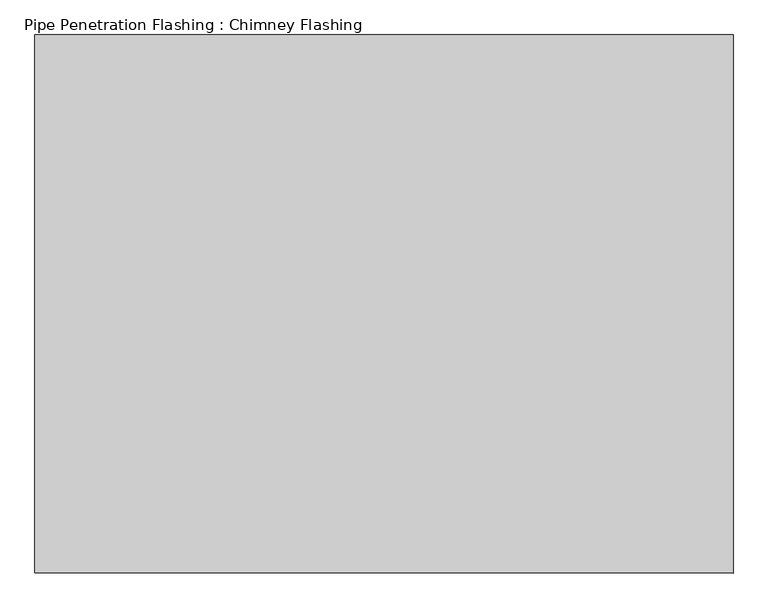
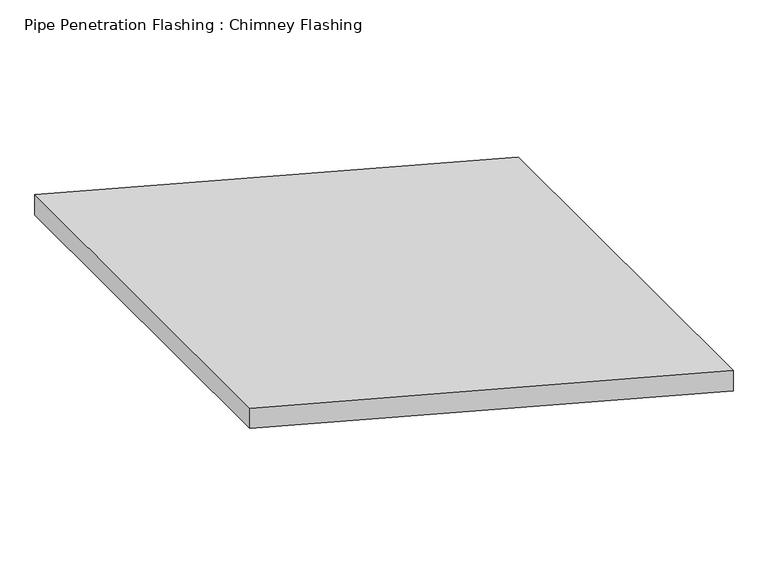
"""IFC4 building model written with IfcOpenShell, lengths in millimetres: proxy geometry, Pipe Penetration Flashing : Chimney Flashing."""

import ifcopenshell
import ifcopenshell.guid

model = None  # the IFC model being written
_history = None  # IfcOwnerHistory: only IFC2X3 demands one
_inside = {}  # id of a spatial element -> (the spatial element, [elements in it])
_under = {}  # id of a project, library or spatial element -> (it, [spatial elements below it])
_declared = {}  # id of a project -> (the project, [libraries it declares])
_typed = {}  # id of a type object -> (the type object, [elements of that type])
_made_of = {}  # id of a material, layer set ... -> (it, [elements and type objects made of it])


def new_model(schema):
    """Start an empty IFC model of exactly this schema.

    Asked for "IFC4X3", IfcOpenShell would pick the latest addendum, in which some entities
    have other attributes; the version numbers below select the first issue.
    IFC2X3 requires an IfcOwnerHistory on every rooted entity: one is made here for all.
    """
    global model, _history
    if schema == "IFC4X3":
        model = ifcopenshell.file(schema_version=(4, 3, 0, 0))
    else:
        model = ifcopenshell.file(schema=schema)
    _inside.clear()
    _under.clear()
    _declared.clear()
    _typed.clear()
    _made_of.clear()
    _history = None
    if model.schema == "IFC2X3":
        org = make("IfcOrganization", Name="unknown")
        user = make(
            "IfcPersonAndOrganization",
            ThePerson=make("IfcPerson", FamilyName="unknown"),
            TheOrganization=org,
        )
        app = make(
            "IfcApplication",
            ApplicationDeveloper=org,
            Version="unknown",
            ApplicationFullName="unknown",
            ApplicationIdentifier="unknown",
        )
        _history = make(
            "IfcOwnerHistory",
            OwningUser=user,
            OwningApplication=app,
            ChangeAction="ADDED",
            CreationDate=0,
        )
    return model


def make(cls, **values):
    """One entity of the class cls with the attributes given. An attribute that is None is left unset."""
    return model.create_entity(
        cls, **{name: value for name, value in values.items() if value is not None}
    )


def rooted(cls, **values):
    """An entity with a GlobalId (a new one), such as an element, a storey or a relation."""
    return make(cls, GlobalId=ifcopenshell.guid.new(), OwnerHistory=_history, **values)


def si_unit(unit_type, name, prefix=None):
    """IfcSIUnit, for example si_unit("LENGTHUNIT", "METRE", prefix="MILLI")."""
    return make("IfcSIUnit", UnitType=unit_type, Prefix=prefix, Name=name)


def assignment(units):
    """IfcUnitAssignment: the units of a project."""
    return None if units is None else make("IfcUnitAssignment", Units=units)


def point(xyz):
    """IfcCartesianPoint."""
    return None if xyz is None else make("IfcCartesianPoint", Coordinates=xyz)


def direction(xyz):
    """IfcDirection."""
    return None if xyz is None else make("IfcDirection", DirectionRatios=xyz)


def frame(location, z_axis=None, x_axis=None):
    """IfcAxis2Placement3D, a coordinate frame: its origin and axes. An axis left out is left unset."""
    return make(
        "IfcAxis2Placement3D",
        Location=point(location),
        Axis=direction(z_axis),
        RefDirection=direction(x_axis),
    )


def origin():
    """The frame at (0, 0, 0) with its axes left unset."""
    return frame((0.0, 0.0, 0.0))


def place(relative_to, where):
    """IfcLocalPlacement: puts the frame where relative to a parent placement (None: the world)."""
    return make(
        "IfcLocalPlacement", PlacementRelTo=relative_to, RelativePlacement=where
    )


def context(
    kind, dimensions, precision=None, world=None, true_north=None, identifier=None
):
    """IfcGeometricRepresentationContext, for example the 3D "Model" context."""
    return make(
        "IfcGeometricRepresentationContext",
        ContextIdentifier=identifier,
        ContextType=kind,
        CoordinateSpaceDimension=dimensions,
        Precision=precision,
        WorldCoordinateSystem=world,
        TrueNorth=true_north,
    )


def project(units=None, contexts=None):
    """IfcProject with its units and contexts."""
    return rooted(
        "IfcProject",
        Name="project",
        RepresentationContexts=contexts,
        UnitsInContext=assignment(units),
    )


def spatial(cls, under=None, at=None, **own):
    """A site, building, storey or space (cls), placed at a placement, below another one or the project."""
    s = rooted(cls, ObjectPlacement=at, **own)
    if under is not None:
        _under.setdefault(under.id(), (under, []))[1].append(s)
    return s


def polyline(points):
    """IfcPolyline through the points."""
    return make("IfcPolyline", Points=[point(p) for p in points])


def outline(outer, holes=None, kind="AREA"):
    """IfcArbitraryClosedProfileDef: a profile drawn as a closed curve; with holes, ...WithVoids."""
    if holes is None:
        return make("IfcArbitraryClosedProfileDef", ProfileType=kind, OuterCurve=outer)
    return make(
        "IfcArbitraryProfileDefWithVoids",
        ProfileType=kind,
        OuterCurve=outer,
        InnerCurves=holes,
    )


def extrude(swept, where, along, depth):
    """IfcExtrudedAreaSolid: the profile swept, set in the frame where, extruded along a direction by depth."""
    return make(
        "IfcExtrudedAreaSolid",
        SweptArea=swept,
        Position=where,
        ExtrudedDirection=direction(along),
        Depth=depth,
    )


def shape(context_of_items, identifier, shape_type, items):
    """IfcShapeRepresentation: the items that make up one representation, for example the "Body"."""
    return make(
        "IfcShapeRepresentation",
        ContextOfItems=context_of_items,
        RepresentationIdentifier=identifier,
        RepresentationType=shape_type,
        Items=items,
    )


def source(mapping_origin, context_of_items, identifier, shape_type, items):
    """IfcRepresentationMap: a shape defined once, which mapped items show again and again."""
    return make(
        "IfcRepresentationMap",
        MappingOrigin=mapping_origin,
        MappedRepresentation=shape(context_of_items, identifier, shape_type, items),
    )


def transform(
    local_origin,
    x_axis=None,
    y_axis=None,
    z_axis=None,
    scale=None,
    scale2=None,
    scale3=None,
    uniform=True,
):
    """IfcCartesianTransformationOperator3D, or its non-uniform kind. x_axis, y_axis, z_axis: its Axis1, 2, 3."""
    if uniform:
        return make(
            "IfcCartesianTransformationOperator3D",
            Axis1=direction(x_axis),
            Axis2=direction(y_axis),
            LocalOrigin=point(local_origin),
            Scale=scale,
            Axis3=direction(z_axis),
        )
    return make(
        "IfcCartesianTransformationOperator3DnonUniform",
        Axis1=direction(x_axis),
        Axis2=direction(y_axis),
        LocalOrigin=point(local_origin),
        Scale=scale,
        Axis3=direction(z_axis),
        Scale2=scale2,
        Scale3=scale3,
    )


def mapped(mapping_source, mapping_target):
    """IfcMappedItem: shows the shape of a source again, moved by a transform."""
    return make(
        "IfcMappedItem", MappingSource=mapping_source, MappingTarget=mapping_target
    )


def made_of(thing, what):
    """Note that an element or type object is made of a material, layer set ...; save() writes the relation."""
    if what is not None:
        _made_of.setdefault(what.id(), (what, []))[1].append(thing)
    return thing


def element(
    cls,
    number,
    at=None,
    inside=None,
    cuts=None,
    type_object=None,
    material=None,
    context=None,
    identifier="Body",
    shape_type=None,
    held_by="IfcProductDefinitionShape",
    body=None,
    shapes=None,
    **own,
):
    """One element of the class cls, such as IfcWall. Its Tag is "e" and its number.

    at: its placement. inside: the storey or other place that contains it. cuts: it is an
    opening in that element (IfcRelVoidsElement). A single representation is given by context,
    identifier, shape_type and body (its items); several are given by shapes. held_by: the class
    of the entity that holds the representations. save() writes the other relations.
    """
    e = rooted(cls, Tag="e%d" % number, ObjectPlacement=at, **own)
    if body is not None:
        shapes = [shape(context, identifier, shape_type, body)]
    if shapes is not None:
        e.Representation = make(held_by, Representations=shapes)
    if inside is not None:
        _inside.setdefault(inside.id(), (inside, []))[1].append(e)
    if cuts is not None:
        rooted(
            "IfcRelVoidsElement", RelatingBuildingElement=cuts, RelatedOpeningElement=e
        )
    if type_object is not None:
        _typed.setdefault(type_object.id(), (type_object, []))[1].append(e)
    return made_of(e, material)


def aggregate(whole, parts):
    """IfcRelAggregates: a whole, such as a stair, and the parts it consists of."""
    return rooted("IfcRelAggregates", RelatingObject=whole, RelatedObjects=parts)


def save(model, path):
    """Write the relations noted so far, then the file.

    IfcRelAggregates (storeys below a building ...), IfcRelContainedInSpatialStructure (elements
    in a storey), IfcRelDefinesByType, IfcRelAssociatesMaterial and IfcRelDeclares: one each for
    every whole, place, type object, material and project.
    """
    for whole, parts in _under.values():
        aggregate(whole, parts)
    for where, things in _inside.values():
        rooted(
            "IfcRelContainedInSpatialStructure",
            RelatedElements=things,
            RelatingStructure=where,
        )
    for kind, things in _typed.values():
        rooted("IfcRelDefinesByType", RelatedObjects=things, RelatingType=kind)
    for what, things in _made_of.values():
        rooted("IfcRelAssociatesMaterial", RelatedObjects=things, RelatingMaterial=what)
    for by, libraries in _declared.values():
        rooted("IfcRelDeclares", RelatingContext=by, RelatedDefinitions=libraries)
    model.write(path)


def pipe_penetration_flashing_chimney_flashing_cb83f2cb(model_context):
    return source(origin(), model_context, "Body", "SweptSolid", [
        extrude(outline(polyline([(5918.6213183, 4682.178133), (5965.2087464, 4682.178133), (6247.9654108, 3626.9158954), (6201.3779827, 3626.9158954), (5918.6213183, 4682.178133)])), frame((0.0, 3504.5463166, 0.0), z_axis=(0.0, 1.0, 0.0), x_axis=(0.0, 0.0, 1.0)), (0.0, 0.0, 1.0), 813.250557),
    ])


if __name__ == "__main__":
    model = new_model("IFC4")
    model_context = context("Model", 3, world=origin())
    ifc_project = project(units=[si_unit("LENGTHUNIT", "METRE", prefix="MILLI")], contexts=[model_context])
    site = spatial("IfcSite", under=ifc_project)
    building = spatial("IfcBuilding", under=site)
    placement = place(None, origin())
    pipe_penetration_flashing_chimney_flashing_shape = pipe_penetration_flashing_chimney_flashing_cb83f2cb(model_context)
    element("IfcBuildingElementProxy", 1, Name="Pipe Penetration Flashing : Chimney Flashing", ObjectType="Pipe Penetration Flashing : Chimney Flashing", at=placement, inside=building, context=model_context, shape_type="MappedRepresentation", body=[
        mapped(pipe_penetration_flashing_chimney_flashing_shape, transform((0.0, 0.0, 0.0), x_axis=(1.0, 0.0, 0.0), y_axis=(0.0, 1.0, 0.0), z_axis=(0.0, 0.0, 1.0))),
    ])
    save(model, "model.ifc")
